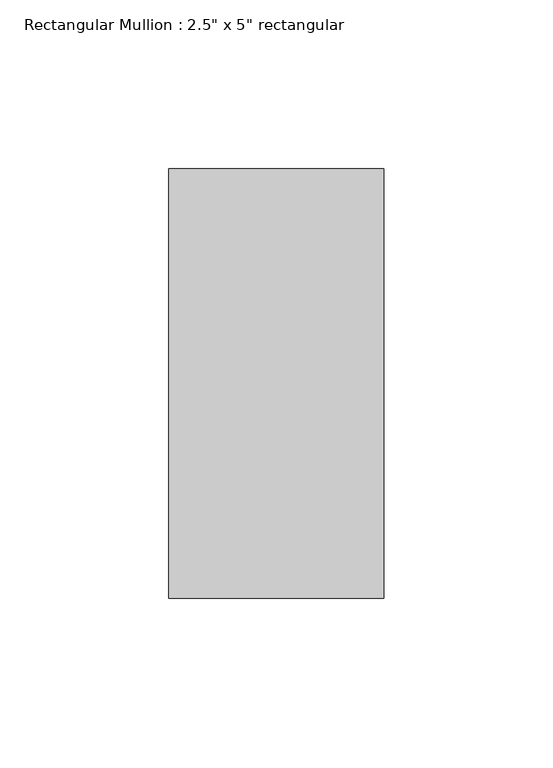
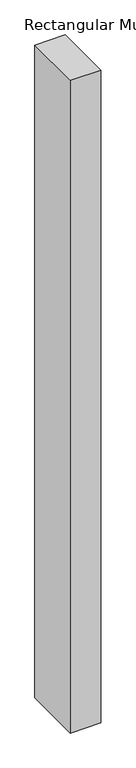
"""IFC4 building model written with IfcOpenShell, lengths in millimetres: member geometry."""

from ifc_helpers import new_model, si_unit, frame, origin, place, context, project, spatial, polyline, outline, extrude, source, transform, mapped, element, save


def member_3026c50a(model_context):
    return source(origin(), model_context, "Body", "SweptSolid", [
        extrude(outline(polyline([(31.75, 63.5), (31.75, -63.5), (-31.75, -63.5), (-31.75, 63.5), (31.75, 63.5)])), frame((0.0, 0.0, -1432.9833333), z_axis=(0.0, 0.0, 1.0), x_axis=(1.0, 0.0, 0.0)), (0.0, 0.0, 1.0), 1432.9833333),
    ])


if __name__ == "__main__":
    model = new_model("IFC4")
    model_context = context("Model", 3, world=origin())
    ifc_project = project(units=[si_unit("LENGTHUNIT", "METRE", prefix="MILLI")], contexts=[model_context])
    site = spatial("IfcSite", under=ifc_project)
    building = spatial("IfcBuilding", under=site)
    placement = place(None, origin())
    member_shape = member_3026c50a(model_context)
    element("IfcMember", 1, ObjectType="Rectangular Mullion : 2.5\" x 5\" rectangular", at=placement, inside=building, context=model_context, shape_type="MappedRepresentation", body=[
        mapped(member_shape, transform((0.0, 0.0, 0.0), x_axis=(1.0, 0.0, 0.0), y_axis=(0.0, 1.0, 0.0), z_axis=(0.0, 0.0, 1.0))),
    ])
    save(model, "model.ifc")
